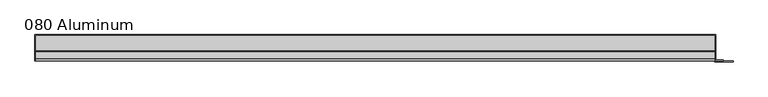
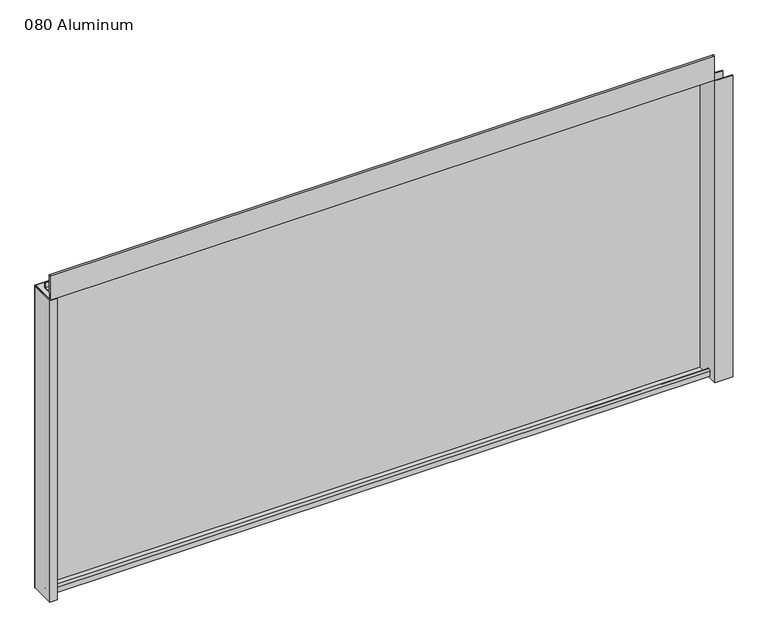
"""IFC4 building model written with IfcOpenShell, lengths in millimetres: plate geometry, 080 Aluminum."""

from ifc_helpers import new_model, si_unit, point, frame, frame_2d, origin, origin_with_axes, place, context, project, spatial, polyline, circle_curve, trimmed, segment, composite_curve, outline, extrude, source, transform, mapped, element, save


def plate_080_aluminum_1ab2688d(model_context):
    return source(origin(), model_context, "Body", "SweptSolid", [
        extrude(outline(polyline([(-640.08, 2.5660257), (-627.1894994, 2.5660257), (-627.1894994, 1.2699999), (-641.3499999, 1.2699999), (-641.3499999, 49.5300001), (-640.08, 49.5300001), (-640.08, 2.5660257)])), origin_with_axes(), (0.0, 0.0, 1.0), 608.33),
        extrude(outline(composite_curve([segment(trimmed(circle_curve(frame_2d((19.8514743, 13.124237)), 3.175), [point((16.6765477, 13.1458337))], [point((23.0264743, 13.124237))], False, "CARTESIAN"), True, "CONTINUOUS"), segment(polyline([(23.0264743, 13.124237), (23.0264743, 1.2693678), (49.5300002, 1.2693678), (49.5300002, 0.0), (21.7564743, 0.0), (21.7564743, 13.124237)]), True, "CONTINUOUS"), segment(trimmed(circle_curve(frame_2d((19.8514743, 13.124237)), 1.905), [point((21.7564743, 13.124237))], [point((17.9464915, 13.1323356))], True, "CARTESIAN"), True, "CONTINUOUS"), segment(polyline([(17.9464915, 13.1323356), (17.9464915, 2.786437), (16.6765477, 2.786437), (16.6765477, 13.1458337)]), True, "CONTINUOUS")], self_intersect=False)), frame((-640.08, 0.0, 0.0), z_axis=(1.0, 0.0, 0.0), x_axis=(0.0, 1.0, 0.0)), (0.0, 0.0, 1.0), 1267.46),
        extrude(outline(composite_curve([segment(trimmed(circle_curve(frame_2d((3.7084742, 656.7932001)), 1.6509999), [point((2.0574743, 656.7932001))], [point((5.3594742, 656.7932001))], False, "CARTESIAN"), True, "CONTINUOUS"), segment(polyline([(5.3594742, 656.7932001), (5.3594742, 623.57), (19.2164743, 623.57), (19.2164743, 633.6538), (20.4864742, 633.6538), (20.4864742, 622.3), (4.0894742, 622.3), (4.0894742, 656.7932001)]), True, "CONTINUOUS"), segment(trimmed(circle_curve(frame_2d((3.7084742, 656.7932001)), 0.3809999), [point((4.0894742, 656.7932001))], [point((3.3274743, 656.7932001))], True, "CARTESIAN"), True, "CONTINUOUS"), segment(polyline([(3.3274743, 656.7932001), (3.3274743, 609.6000001), (49.5300002, 609.6000001), (49.5300002, 608.33), (2.0574743, 608.33), (2.0574743, 656.7932001)]), True, "CONTINUOUS")], self_intersect=False)), frame((-640.08, 0.0, 0.0), z_axis=(1.0, 0.0, 0.0), x_axis=(0.0, 1.0, 0.0)), (0.0, 0.0, 1.0), 1267.46),
        extrude(outline(polyline([(-641.35, 50.8), (628.65, 50.8), (628.65, 49.5300001), (-641.35, 49.5300001), (-641.35, 50.8)])), origin_with_axes(), (0.0, 0.0, 1.0), 609.6),
        extrude(outline(polyline([(628.65, 1.2699999), (661.1620856, 1.2699999), (661.1620856, 0.0), (627.3800001, 0.0), (627.3800001, 49.5300002), (628.65, 49.5300002), (628.65, 1.2699999)])), origin_with_axes(), (0.0, 0.0, 1.0), 608.33),
        extrude(outline(polyline([(627.38, 3.3274743), (643.1279999, 3.3274743), (643.1279999, 2.0574743), (627.38, 2.0574743), (627.38, 3.3274743)])), origin_with_axes(), (0.0, 0.0, 1.0), 622.3),
    ])


if __name__ == "__main__":
    model = new_model("IFC4")
    model_context = context("Model", 3, world=origin())
    ifc_project = project(units=[si_unit("LENGTHUNIT", "METRE", prefix="MILLI")], contexts=[model_context])
    site = spatial("IfcSite", under=ifc_project)
    building = spatial("IfcBuilding", under=site)
    placement = place(None, origin())
    plate_080_aluminum_shape = plate_080_aluminum_1ab2688d(model_context)
    element("IfcPlate", 1, ObjectType="080 Aluminum", at=placement, inside=building, context=model_context, shape_type="MappedRepresentation", body=[
        mapped(plate_080_aluminum_shape, transform((0.0, 0.0, 0.0), x_axis=(1.0, 0.0, 0.0), y_axis=(0.0, 1.0, 0.0), z_axis=(0.0, 0.0, 1.0))),
    ])
    save(model, "model.ifc")
